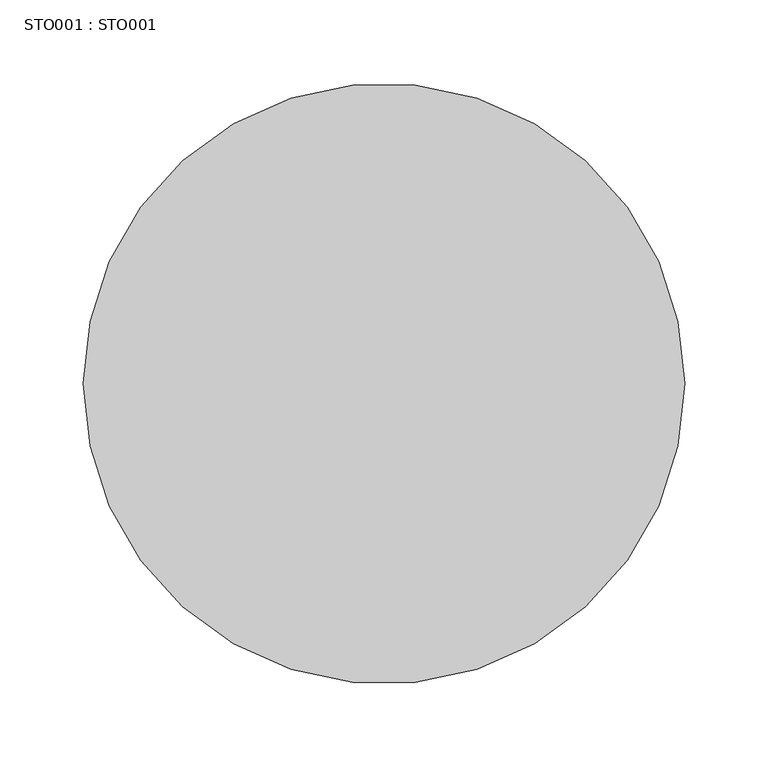
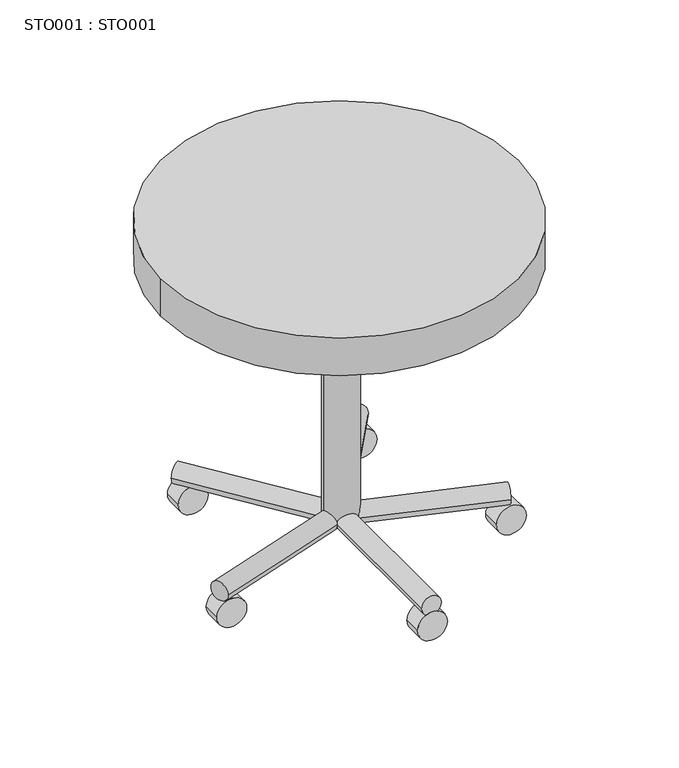
"""IFC4 building model written with IfcOpenShell, lengths in millimetres: proxy geometry, STO001 : STO001."""

from ifc_helpers import new_model, si_unit, point, frame, frame_2d, origin, place, context, project, spatial, circle_curve, trimmed, segment, composite_curve, outline, extrude, source, transform, mapped, element, save


def sto001_sto001_1e7d71b8(model_context):
    return source(origin(), model_context, "Body", "SweptSolid", [
        extrude(outline(composite_curve([segment(trimmed(circle_curve(frame_2d((-1.2575034, 0.0)), 180.0), [point((-181.2575034, 0.0))], [point((178.7424966, 0.0))], False, "CARTESIAN"), True, "CONTINUOUS"), segment(trimmed(circle_curve(frame_2d((-1.2575034, 0.0)), 180.0), [point((178.7424966, 0.0))], [point((-181.2575034, 0.0))], False, "CARTESIAN"), True, "CONTINUOUS")], self_intersect=False)), frame((0.0, 0.0, 310.0), z_axis=(0.0, 0.0, 1.0), x_axis=(1.0, 0.0, 0.0)), (0.0, 0.0, 1.0), 40.0),
        extrude(outline(composite_curve([segment(trimmed(circle_curve(frame_2d((14.5694791, -141.4429774)), 15.0), [point((14.5694791, -156.4429774))], [point((14.5694791, -126.4429774))], False, "CARTESIAN"), True, "CONTINUOUS"), segment(trimmed(circle_curve(frame_2d((14.5694791, -141.4429774)), 15.0), [point((14.5694791, -126.4429774))], [point((14.5694791, -156.4429774))], False, "CARTESIAN"), True, "CONTINUOUS")], self_intersect=False)), frame((0.0, -55.0, 0.0), z_axis=(0.0, 1.0, 0.0), x_axis=(0.0, 0.0, 1.0)), (0.0, 0.0, 1.0), 18.58),
        extrude(outline(composite_curve([segment(trimmed(circle_curve(frame_2d((14.5694791, -85.1795163)), 15.0), [point((14.5694791, -100.1795163))], [point((14.5694791, -70.1795163))], False, "CARTESIAN"), True, "CONTINUOUS"), segment(trimmed(circle_curve(frame_2d((14.5694791, -85.1795163)), 15.0), [point((14.5694791, -70.1795163))], [point((14.5694791, -100.1795163))], False, "CARTESIAN"), True, "CONTINUOUS")], self_intersect=False)), frame((0.0, 110.0, 0.0), z_axis=(0.0, 1.0, 0.0), x_axis=(0.0, 0.0, 1.0)), (0.0, 0.0, 1.0), 18.58),
        extrude(outline(composite_curve([segment(trimmed(circle_curve(frame_2d((14.5694791, 84.8204837)), 15.0), [point((14.5694791, 69.8204837))], [point((14.5694791, 99.8204837))], False, "CARTESIAN"), True, "CONTINUOUS"), segment(trimmed(circle_curve(frame_2d((14.5694791, 84.8204837)), 15.0), [point((14.5694791, 99.8204837))], [point((14.5694791, 69.8204837))], False, "CARTESIAN"), True, "CONTINUOUS")], self_intersect=False)), frame((0.0, 110.0, 0.0), z_axis=(0.0, 1.0, 0.0), x_axis=(0.0, 0.0, 1.0)), (0.0, 0.0, 1.0), 18.58),
        extrude(outline(composite_curve([segment(trimmed(circle_curve(frame_2d((14.5694791, 139.7754922)), 15.0), [point((14.5694791, 124.7754922))], [point((14.5694791, 154.7754922))], False, "CARTESIAN"), True, "CONTINUOUS"), segment(trimmed(circle_curve(frame_2d((14.5694791, 139.7754922)), 15.0), [point((14.5694791, 154.7754922))], [point((14.5694791, 124.7754922))], False, "CARTESIAN"), True, "CONTINUOUS")], self_intersect=False)), frame((0.0, -55.0, 0.0), z_axis=(0.0, 1.0, 0.0), x_axis=(0.0, 0.0, 1.0)), (0.0, 0.0, 1.0), 18.58),
        extrude(outline(composite_curve([segment(trimmed(circle_curve(frame_2d((14.5694791, -0.1323116)), 15.0), [point((14.5694791, -15.1323116))], [point((14.5694791, 14.8676884))], False, "CARTESIAN"), True, "CONTINUOUS"), segment(trimmed(circle_curve(frame_2d((14.5694791, -0.1323116)), 15.0), [point((14.5694791, 14.8676884))], [point((14.5694791, -15.1323116))], False, "CARTESIAN"), True, "CONTINUOUS")], self_intersect=False)), frame((0.0, -160.0, 0.0), z_axis=(0.0, 1.0, 0.0), x_axis=(0.0, 0.0, 1.0)), (0.0, 0.0, 1.0), 18.58),
        extrude(outline(composite_curve([segment(trimmed(circle_curve(frame_2d((0.0, -10.0)), 10.0), [point((0.0, -20.0))], [point((0.0, 0.0))], False, "CARTESIAN"), True, "CONTINUOUS"), segment(trimmed(circle_curve(frame_2d((0.0, -10.0)), 10.0), [point((0.0, 0.0))], [point((0.0, -20.0))], False, "CARTESIAN"), True, "CONTINUOUS")], self_intersect=False)), frame((145.1250559, -36.8007924, 36.7615917), z_axis=(-0.9508448622928297, 0.3096676409496636, 0.0), x_axis=(0.0, 0.0, 1.0)), (0.0, 0.0, 1.0), 150.9774353),
        extrude(outline(composite_curve([segment(trimmed(circle_curve(frame_2d((0.0, -10.0)), 10.0), [point((0.0, -20.0))], [point((0.0, 0.0))], False, "CARTESIAN"), True, "CONTINUOUS"), segment(trimmed(circle_curve(frame_2d((0.0, -10.0)), 10.0), [point((0.0, 0.0))], [point((0.0, -20.0))], False, "CARTESIAN"), True, "CONTINUOUS")], self_intersect=False)), frame((-147.0428456, -58.2427454, 36.7615917), z_axis=(0.9483955600318635, 0.3170896745588668, 0.0), x_axis=(0.0, 0.0, 1.0)), (0.0, 0.0, 1.0), 157.2549468),
        extrude(outline(composite_curve([segment(trimmed(circle_curve(frame_2d((36.7615917, -1.2575034)), 10.0), [point((36.7615917, -11.2575034))], [point((36.7615917, 8.7424966))], False, "CARTESIAN"), True, "CONTINUOUS"), segment(trimmed(circle_curve(frame_2d((36.7615917, -1.2575034)), 10.0), [point((36.7615917, 8.7424966))], [point((36.7615917, -11.2575034))], False, "CARTESIAN"), True, "CONTINUOUS")], self_intersect=False)), frame((0.0, -160.0, 0.0), z_axis=(0.0, 1.0, 0.0), x_axis=(0.0, 0.0, 1.0)), (0.0, 0.0, 1.0), 160.0),
        extrude(outline(composite_curve([segment(trimmed(circle_curve(frame_2d((0.0, -9.9999999)), 10.0), [point((0.0, -20.0))], [point((0.0, 0.0))], False, "CARTESIAN"), True, "CONTINUOUS"), segment(trimmed(circle_curve(frame_2d((0.0, -9.9999999)), 10.0), [point((0.0, 0.0))], [point((0.0, -20.0))], False, "CARTESIAN"), True, "CONTINUOUS")], self_intersect=False)), frame((6.0526053, -5.3121483, 36.7615917), z_axis=(0.5873949301705781, 0.8093004361854141, 0.0), x_axis=(0.0, 0.0, 1.0)), (0.0, 0.0, 1.0), 155.1114475),
        extrude(outline(composite_curve([segment(trimmed(circle_curve(frame_2d((0.0, -10.0)), 10.0), [point((0.0, -20.0))], [point((0.0, 0.0))], False, "CARTESIAN"), True, "CONTINUOUS"), segment(trimmed(circle_curve(frame_2d((0.0, -10.0)), 10.0), [point((0.0, 0.0))], [point((0.0, -20.0))], False, "CARTESIAN"), True, "CONTINUOUS")], self_intersect=False)), frame((6.8213337, 5.8812574, 36.7615917), z_axis=(-0.5881257419389853, 0.8087695046604553, 0.0), x_axis=(0.0, 0.0, 1.0)), (0.0, 0.0, 1.0), 155.9746448),
        extrude(outline(composite_curve([segment(trimmed(circle_curve(frame_2d((0.0119632, 0.0368425)), 17.0344146), [point((-17.0224514, 0.0368425))], [point((17.0463779, 0.0368425))], False, "CARTESIAN"), True, "CONTINUOUS"), segment(trimmed(circle_curve(frame_2d((0.0119632, 0.0368425)), 17.0344146), [point((17.0463779, 0.0368425))], [point((-17.0224514, 0.0368425))], False, "CARTESIAN"), True, "CONTINUOUS")], self_intersect=False)), frame((0.0, 0.0, 32.7158913), z_axis=(0.0, 0.0, 1.0), x_axis=(1.0, 0.0, 0.0)), (0.0, 0.0, 1.0), 277.2841087),
    ])


if __name__ == "__main__":
    model = new_model("IFC4")
    model_context = context("Model", 3, world=origin())
    ifc_project = project(units=[si_unit("LENGTHUNIT", "METRE", prefix="MILLI")], contexts=[model_context])
    site = spatial("IfcSite", under=ifc_project)
    building = spatial("IfcBuilding", under=site)
    placement = place(None, origin())
    sto001_sto001_shape = sto001_sto001_1e7d71b8(model_context)
    element("IfcBuildingElementProxy", 1, Name="STO001 : STO001", ObjectType="STO001 : STO001", at=placement, inside=building, context=model_context, shape_type="MappedRepresentation", body=[
        mapped(sto001_sto001_shape, transform((0.0, 0.0, 0.0), x_axis=(1.0, 0.0, 0.0), y_axis=(0.0, 1.0, 0.0), z_axis=(0.0, 0.0, 1.0))),
    ])
    save(model, "model.ifc")
